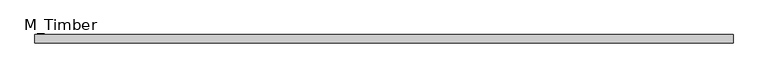
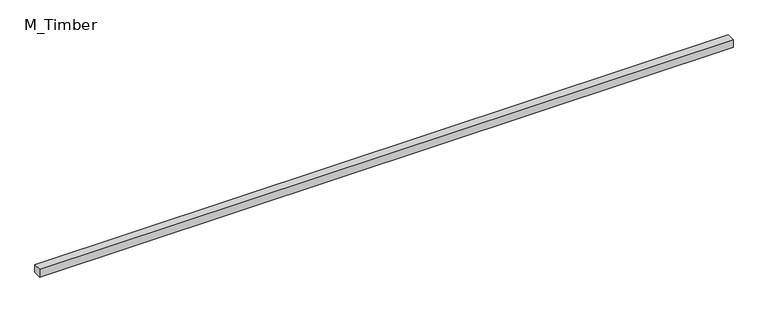
"""IFC4 building model written with IfcOpenShell, lengths in millimetres: beam geometry, M_Timber."""

from ifc_helpers import new_model, si_unit, frame, origin, place, context, project, spatial, polyline, outline, extrude, source, transform, mapped, element, save


def m_timber_71832064(model_context):
    return source(origin(), model_context, "Body", "SweptSolid", [
        extrude(outline(polyline([(1688.8834092, 20.0), (1688.8834092, -20.0), (-1688.8834092, -20.0), (-1688.8834092, 20.0), (1688.8834092, 20.0)])), frame((0.0, 0.0, -20.0), z_axis=(0.0, 0.0, 1.0), x_axis=(1.0, 0.0, 0.0)), (0.0, 0.0, 1.0), 40.0),
    ])


if __name__ == "__main__":
    model = new_model("IFC4")
    model_context = context("Model", 3, world=origin())
    ifc_project = project(units=[si_unit("LENGTHUNIT", "METRE", prefix="MILLI")], contexts=[model_context])
    site = spatial("IfcSite", under=ifc_project)
    building = spatial("IfcBuilding", under=site)
    placement = place(None, origin())
    m_timber_shape = m_timber_71832064(model_context)
    element("IfcBeam", 1, ObjectType="M_Timber", at=placement, inside=building, context=model_context, shape_type="MappedRepresentation", body=[
        mapped(m_timber_shape, transform((0.0, 0.0, 0.0), x_axis=(1.0, 0.0, 0.0), y_axis=(0.0, 1.0, 0.0), z_axis=(0.0, 0.0, 1.0))),
    ])
    save(model, "model.ifc")
